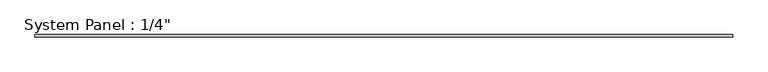
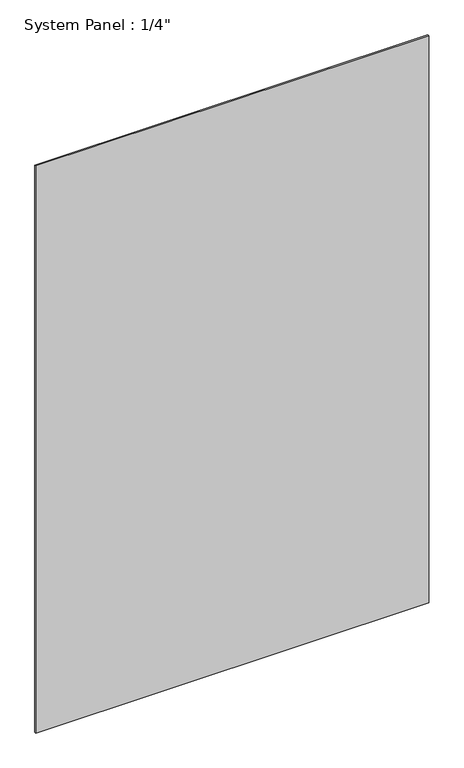
"""IFC4 building model written with IfcOpenShell, lengths in millimetres: plate geometry."""

from ifc_helpers import new_model, si_unit, origin, origin_with_axes, place, context, project, spatial, polyline, outline, extrude, source, transform, mapped, element, save


def plate_3f0bd98a(model_context):
    return source(origin(), model_context, "Body", "SweptSolid", [
        extrude(outline(polyline([(998.5834724, 12.7), (-998.5834724, 12.7), (-998.5834724, 19.05), (998.5834724, 19.05), (998.5834724, 12.7)])), origin_with_axes(), (0.0, 0.0, 1.0), 3048.0),
    ])


if __name__ == "__main__":
    model = new_model("IFC4")
    model_context = context("Model", 3, world=origin())
    ifc_project = project(units=[si_unit("LENGTHUNIT", "METRE", prefix="MILLI")], contexts=[model_context])
    site = spatial("IfcSite", under=ifc_project)
    building = spatial("IfcBuilding", under=site)
    placement = place(None, origin())
    plate_shape = plate_3f0bd98a(model_context)
    element("IfcPlate", 1, ObjectType="System Panel : 1/4\"", at=placement, inside=building, context=model_context, shape_type="MappedRepresentation", body=[
        mapped(plate_shape, transform((0.0, 0.0, 0.0), x_axis=(1.0, 0.0, 0.0), y_axis=(0.0, 1.0, 0.0), z_axis=(0.0, 0.0, 1.0))),
    ])
    save(model, "model.ifc")
